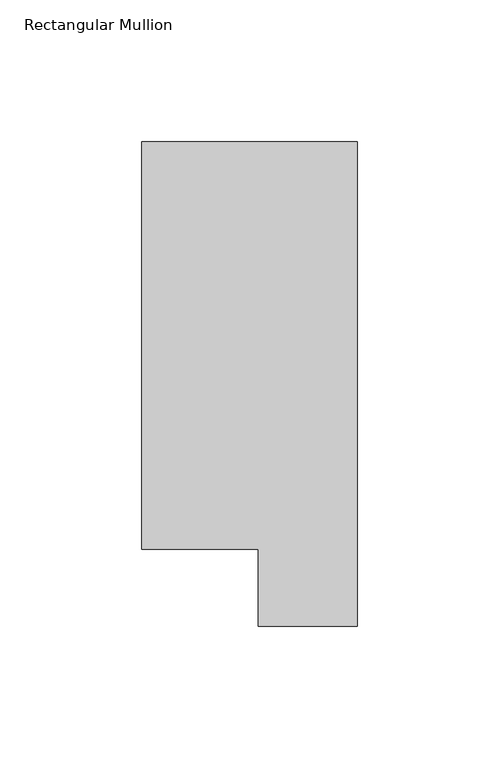
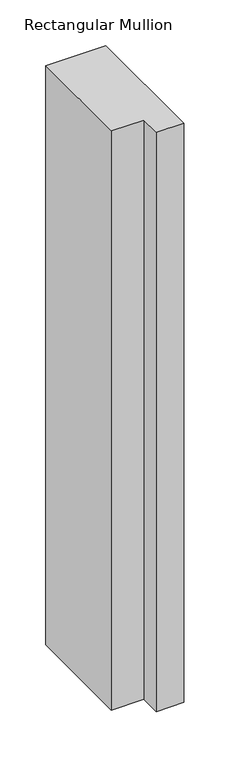
"""IFC4 building model written with IfcOpenShell, lengths in millimetres: member geometry, Rectangular Mullion."""

from ifc_helpers import new_model, si_unit, frame, origin, place, context, project, spatial, polyline, outline, extrude, source, transform, mapped, element, save


def rectangular_mullion_611b9636(model_context):
    return source(origin(), model_context, "Body", "SweptSolid", [
        extrude(outline(polyline([(0.0, 190.7881313), (0.0, 19.5667312), (-34.9123, 19.5667312), (-34.9123, 46.7447302), (-76.2, 46.7447302), (-76.2, 190.7881313), (0.0, 190.7881313)])), frame((0.0, 0.0, -774.6999996), z_axis=(0.0, 0.0, 1.0), x_axis=(1.0, 0.0, 0.0)), (0.0, 0.0, 1.0), 774.6999996),
    ])


if __name__ == "__main__":
    model = new_model("IFC4")
    model_context = context("Model", 3, world=origin())
    ifc_project = project(units=[si_unit("LENGTHUNIT", "METRE", prefix="MILLI")], contexts=[model_context])
    site = spatial("IfcSite", under=ifc_project)
    building = spatial("IfcBuilding", under=site)
    placement = place(None, origin())
    rectangular_mullion_shape = rectangular_mullion_611b9636(model_context)
    element("IfcMember", 1, ObjectType="Rectangular Mullion", at=placement, inside=building, context=model_context, shape_type="MappedRepresentation", body=[
        mapped(rectangular_mullion_shape, transform((0.0, 0.0, 0.0), x_axis=(1.0, 0.0, 0.0), y_axis=(0.0, 1.0, 0.0), z_axis=(0.0, 0.0, 1.0))),
    ])
    save(model, "model.ifc")
